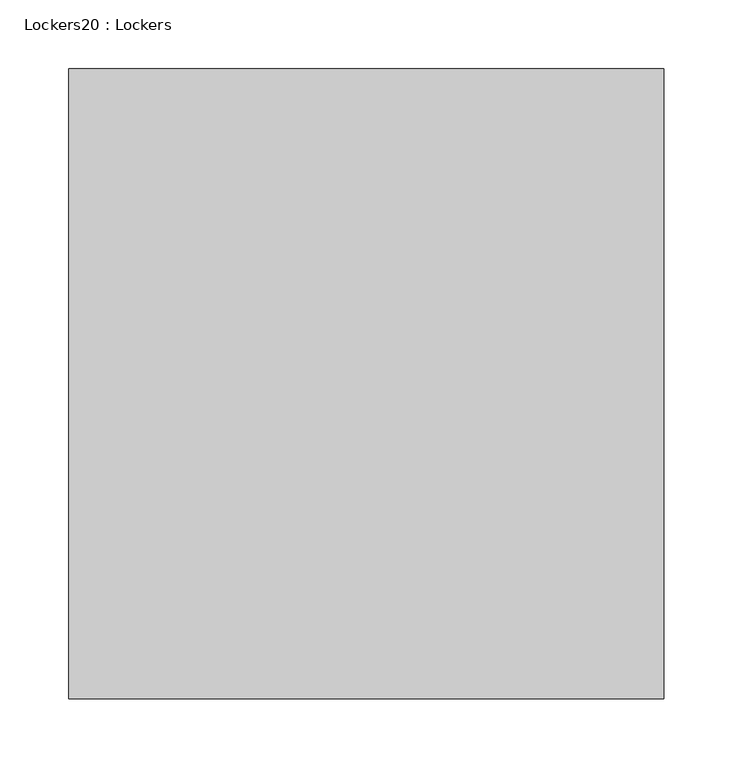
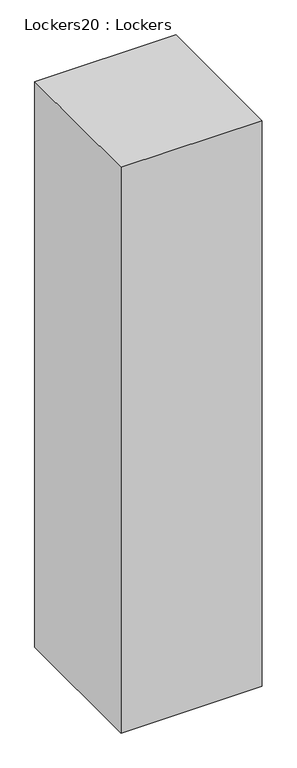
"""IFC4 building model written with IfcOpenShell, lengths in millimetres: furniture geometry, Lockers20 : Lockers."""

import ifcopenshell
import ifcopenshell.guid

model = None  # the IFC model being written
_history = None  # IfcOwnerHistory: only IFC2X3 demands one
_inside = {}  # id of a spatial element -> (the spatial element, [elements in it])
_under = {}  # id of a project, library or spatial element -> (it, [spatial elements below it])
_declared = {}  # id of a project -> (the project, [libraries it declares])
_typed = {}  # id of a type object -> (the type object, [elements of that type])
_made_of = {}  # id of a material, layer set ... -> (it, [elements and type objects made of it])


def new_model(schema):
    """Start an empty IFC model of exactly this schema.

    Asked for "IFC4X3", IfcOpenShell would pick the latest addendum, in which some entities
    have other attributes; the version numbers below select the first issue.
    IFC2X3 requires an IfcOwnerHistory on every rooted entity: one is made here for all.
    """
    global model, _history
    if schema == "IFC4X3":
        model = ifcopenshell.file(schema_version=(4, 3, 0, 0))
    else:
        model = ifcopenshell.file(schema=schema)
    _inside.clear()
    _under.clear()
    _declared.clear()
    _typed.clear()
    _made_of.clear()
    _history = None
    if model.schema == "IFC2X3":
        org = make("IfcOrganization", Name="unknown")
        user = make(
            "IfcPersonAndOrganization",
            ThePerson=make("IfcPerson", FamilyName="unknown"),
            TheOrganization=org,
        )
        app = make(
            "IfcApplication",
            ApplicationDeveloper=org,
            Version="unknown",
            ApplicationFullName="unknown",
            ApplicationIdentifier="unknown",
        )
        _history = make(
            "IfcOwnerHistory",
            OwningUser=user,
            OwningApplication=app,
            ChangeAction="ADDED",
            CreationDate=0,
        )
    return model


def make(cls, **values):
    """One entity of the class cls with the attributes given. An attribute that is None is left unset."""
    return model.create_entity(
        cls, **{name: value for name, value in values.items() if value is not None}
    )


def rooted(cls, **values):
    """An entity with a GlobalId (a new one), such as an element, a storey or a relation."""
    return make(cls, GlobalId=ifcopenshell.guid.new(), OwnerHistory=_history, **values)


def si_unit(unit_type, name, prefix=None):
    """IfcSIUnit, for example si_unit("LENGTHUNIT", "METRE", prefix="MILLI")."""
    return make("IfcSIUnit", UnitType=unit_type, Prefix=prefix, Name=name)


def assignment(units):
    """IfcUnitAssignment: the units of a project."""
    return None if units is None else make("IfcUnitAssignment", Units=units)


def point(xyz):
    """IfcCartesianPoint."""
    return None if xyz is None else make("IfcCartesianPoint", Coordinates=xyz)


def direction(xyz):
    """IfcDirection."""
    return None if xyz is None else make("IfcDirection", DirectionRatios=xyz)


def frame(location, z_axis=None, x_axis=None):
    """IfcAxis2Placement3D, a coordinate frame: its origin and axes. An axis left out is left unset."""
    return make(
        "IfcAxis2Placement3D",
        Location=point(location),
        Axis=direction(z_axis),
        RefDirection=direction(x_axis),
    )


def origin():
    """The frame at (0, 0, 0) with its axes left unset."""
    return frame((0.0, 0.0, 0.0))


def origin_with_axes():
    """The frame at (0, 0, 0) with the z axis (0, 0, 1) and the x axis (1, 0, 0) written out."""
    return frame((0.0, 0.0, 0.0), z_axis=(0.0, 0.0, 1.0), x_axis=(1.0, 0.0, 0.0))


def place(relative_to, where):
    """IfcLocalPlacement: puts the frame where relative to a parent placement (None: the world)."""
    return make(
        "IfcLocalPlacement", PlacementRelTo=relative_to, RelativePlacement=where
    )


def context(
    kind, dimensions, precision=None, world=None, true_north=None, identifier=None
):
    """IfcGeometricRepresentationContext, for example the 3D "Model" context."""
    return make(
        "IfcGeometricRepresentationContext",
        ContextIdentifier=identifier,
        ContextType=kind,
        CoordinateSpaceDimension=dimensions,
        Precision=precision,
        WorldCoordinateSystem=world,
        TrueNorth=true_north,
    )


def project(units=None, contexts=None):
    """IfcProject with its units and contexts."""
    return rooted(
        "IfcProject",
        Name="project",
        RepresentationContexts=contexts,
        UnitsInContext=assignment(units),
    )


def spatial(cls, under=None, at=None, **own):
    """A site, building, storey or space (cls), placed at a placement, below another one or the project."""
    s = rooted(cls, ObjectPlacement=at, **own)
    if under is not None:
        _under.setdefault(under.id(), (under, []))[1].append(s)
    return s


def polyline(points):
    """IfcPolyline through the points."""
    return make("IfcPolyline", Points=[point(p) for p in points])


def outline(outer, holes=None, kind="AREA"):
    """IfcArbitraryClosedProfileDef: a profile drawn as a closed curve; with holes, ...WithVoids."""
    if holes is None:
        return make("IfcArbitraryClosedProfileDef", ProfileType=kind, OuterCurve=outer)
    return make(
        "IfcArbitraryProfileDefWithVoids",
        ProfileType=kind,
        OuterCurve=outer,
        InnerCurves=holes,
    )


def extrude(swept, where, along, depth):
    """IfcExtrudedAreaSolid: the profile swept, set in the frame where, extruded along a direction by depth."""
    return make(
        "IfcExtrudedAreaSolid",
        SweptArea=swept,
        Position=where,
        ExtrudedDirection=direction(along),
        Depth=depth,
    )


def shape(context_of_items, identifier, shape_type, items):
    """IfcShapeRepresentation: the items that make up one representation, for example the "Body"."""
    return make(
        "IfcShapeRepresentation",
        ContextOfItems=context_of_items,
        RepresentationIdentifier=identifier,
        RepresentationType=shape_type,
        Items=items,
    )


def source(mapping_origin, context_of_items, identifier, shape_type, items):
    """IfcRepresentationMap: a shape defined once, which mapped items show again and again."""
    return make(
        "IfcRepresentationMap",
        MappingOrigin=mapping_origin,
        MappedRepresentation=shape(context_of_items, identifier, shape_type, items),
    )


def transform(
    local_origin,
    x_axis=None,
    y_axis=None,
    z_axis=None,
    scale=None,
    scale2=None,
    scale3=None,
    uniform=True,
):
    """IfcCartesianTransformationOperator3D, or its non-uniform kind. x_axis, y_axis, z_axis: its Axis1, 2, 3."""
    if uniform:
        return make(
            "IfcCartesianTransformationOperator3D",
            Axis1=direction(x_axis),
            Axis2=direction(y_axis),
            LocalOrigin=point(local_origin),
            Scale=scale,
            Axis3=direction(z_axis),
        )
    return make(
        "IfcCartesianTransformationOperator3DnonUniform",
        Axis1=direction(x_axis),
        Axis2=direction(y_axis),
        LocalOrigin=point(local_origin),
        Scale=scale,
        Axis3=direction(z_axis),
        Scale2=scale2,
        Scale3=scale3,
    )


def mapped(mapping_source, mapping_target):
    """IfcMappedItem: shows the shape of a source again, moved by a transform."""
    return make(
        "IfcMappedItem", MappingSource=mapping_source, MappingTarget=mapping_target
    )


def made_of(thing, what):
    """Note that an element or type object is made of a material, layer set ...; save() writes the relation."""
    if what is not None:
        _made_of.setdefault(what.id(), (what, []))[1].append(thing)
    return thing


def element(
    cls,
    number,
    at=None,
    inside=None,
    cuts=None,
    type_object=None,
    material=None,
    context=None,
    identifier="Body",
    shape_type=None,
    held_by="IfcProductDefinitionShape",
    body=None,
    shapes=None,
    **own,
):
    """One element of the class cls, such as IfcWall. Its Tag is "e" and its number.

    at: its placement. inside: the storey or other place that contains it. cuts: it is an
    opening in that element (IfcRelVoidsElement). A single representation is given by context,
    identifier, shape_type and body (its items); several are given by shapes. held_by: the class
    of the entity that holds the representations. save() writes the other relations.
    """
    e = rooted(cls, Tag="e%d" % number, ObjectPlacement=at, **own)
    if body is not None:
        shapes = [shape(context, identifier, shape_type, body)]
    if shapes is not None:
        e.Representation = make(held_by, Representations=shapes)
    if inside is not None:
        _inside.setdefault(inside.id(), (inside, []))[1].append(e)
    if cuts is not None:
        rooted(
            "IfcRelVoidsElement", RelatingBuildingElement=cuts, RelatedOpeningElement=e
        )
    if type_object is not None:
        _typed.setdefault(type_object.id(), (type_object, []))[1].append(e)
    return made_of(e, material)


def aggregate(whole, parts):
    """IfcRelAggregates: a whole, such as a stair, and the parts it consists of."""
    return rooted("IfcRelAggregates", RelatingObject=whole, RelatedObjects=parts)


def save(model, path):
    """Write the relations noted so far, then the file.

    IfcRelAggregates (storeys below a building ...), IfcRelContainedInSpatialStructure (elements
    in a storey), IfcRelDefinesByType, IfcRelAssociatesMaterial and IfcRelDeclares: one each for
    every whole, place, type object, material and project.
    """
    for whole, parts in _under.values():
        aggregate(whole, parts)
    for where, things in _inside.values():
        rooted(
            "IfcRelContainedInSpatialStructure",
            RelatedElements=things,
            RelatingStructure=where,
        )
    for kind, things in _typed.values():
        rooted("IfcRelDefinesByType", RelatedObjects=things, RelatingType=kind)
    for what, things in _made_of.values():
        rooted("IfcRelAssociatesMaterial", RelatedObjects=things, RelatingMaterial=what)
    for by, libraries in _declared.values():
        rooted("IfcRelDeclares", RelatingContext=by, RelatedDefinitions=libraries)
    model.write(path)


def lockers20_lockers_ffbd0e88(model_context):
    return source(origin(), model_context, "Body", "SweptSolid", [
        extrude(outline(polyline([(-416495.2141271, -27242.6110157), (-416495.2141271, -27699.8110157), (-416927.0141271, -27699.8110157), (-416927.0141271, -27242.6110157), (-416495.2141271, -27242.6110157)])), origin_with_axes(), (0.0, 0.0, 1.0), 1828.8),
    ])


if __name__ == "__main__":
    model = new_model("IFC4")
    model_context = context("Model", 3, world=origin())
    ifc_project = project(units=[si_unit("LENGTHUNIT", "METRE", prefix="MILLI")], contexts=[model_context])
    site = spatial("IfcSite", under=ifc_project)
    building = spatial("IfcBuilding", under=site)
    placement = place(None, origin())
    lockers20_lockers_shape = lockers20_lockers_ffbd0e88(model_context)
    element("IfcFurniture", 1, ObjectType="Lockers20 : Lockers", at=placement, inside=building, context=model_context, shape_type="MappedRepresentation", body=[
        mapped(lockers20_lockers_shape, transform((0.0, 0.0, 0.0), x_axis=(1.0, 0.0, 0.0), y_axis=(0.0, 1.0, 0.0), z_axis=(0.0, 0.0, 1.0))),
    ])
    save(model, "model.ifc")
